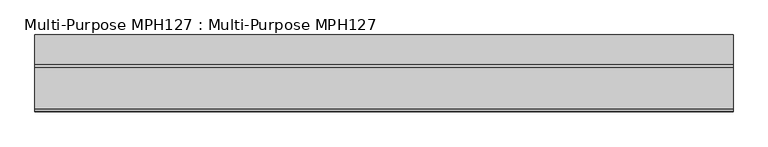
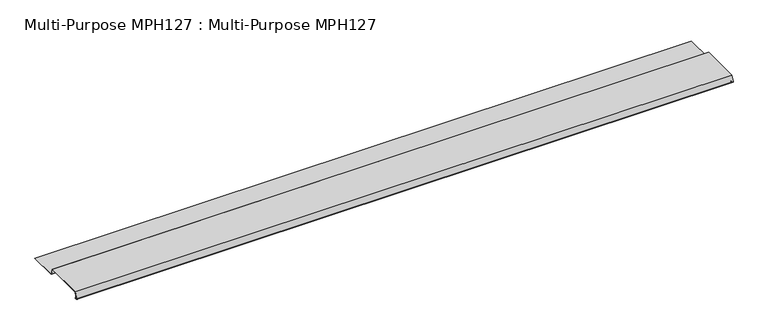
"""IFC4 building model written with IfcOpenShell, lengths in millimetres: proxy geometry, Multi-Purpose MPH127 : Multi-Purpose MPH127."""

from ifc_helpers import new_model, si_unit, point, frame, frame_2d, origin, place, context, project, spatial, polyline, circle_curve, trimmed, segment, composite_curve, outline, extrude, source, transform, mapped, element, save


def multi_purpose_mph127_multi_purpose_mph127_10bb9d99(model_context):
    return source(origin(), model_context, "Body", "SweptSolid", [
        extrude(outline(composite_curve([segment(polyline([(-245.7152167, 103.6038379), (-246.2495313, 102.9913416), (-247.1306358, 103.759978)]), True, "CONTINUOUS"), segment(trimmed(circle_curve(frame_2d((-248.4288533, 102.2718034)), 1.97485), [point((-247.1306358, 103.759978))], [point((-249.5186085, 103.91876))], True, "CARTESIAN"), True, "CONTINUOUS"), segment(polyline([(-249.5186085, 103.91876), (-252.3218398, 102.0639232)]), True, "CONTINUOUS"), segment(trimmed(circle_curve(frame_2d((-253.6358533, 104.0498034)), 2.38125), [point((-252.3218398, 102.0639232))], [point((-255.8734963, 104.8642388))], False, "CARTESIAN"), True, "CONTINUOUS"), segment(polyline([(-255.8734963, 104.8642388), (-245.7764108, 132.6057534), (-61.6264108, 132.6057534), (-50.3661909, 101.6685534), (79.2628967, 101.6685534), (79.2628967, 100.8557534), (-50.9353196, 100.8557534), (-62.1955395, 131.7929534), (-245.2072821, 131.7929534), (-255.1097142, 104.5862449)]), True, "CONTINUOUS"), segment(trimmed(circle_curve(frame_2d((-253.6358533, 104.0498034)), 1.56845), [point((-255.1097142, 104.5862449))], [point((-252.7703564, 102.7417703))], True, "CARTESIAN"), True, "CONTINUOUS"), segment(polyline([(-252.7703564, 102.7417703), (-249.9671251, 104.5966071)]), True, "CONTINUOUS"), segment(trimmed(circle_curve(frame_2d((-248.4288533, 102.2718034)), 2.78765), [point((-249.9671251, 104.5966071))], [point((-246.5963212, 104.3724744))], False, "CARTESIAN"), True, "CONTINUOUS"), segment(polyline([(-246.5963212, 104.3724744), (-245.7152167, 103.6038379)]), True, "CONTINUOUS")], self_intersect=False)), frame((-1102.2989423, 0.0, 0.0), z_axis=(1.0, 0.0, 0.0), x_axis=(0.0, 1.0, 0.0)), (0.0, 0.0, 1.0), 3048.0),
    ])


if __name__ == "__main__":
    model = new_model("IFC4")
    model_context = context("Model", 3, world=origin())
    ifc_project = project(units=[si_unit("LENGTHUNIT", "METRE", prefix="MILLI")], contexts=[model_context])
    site = spatial("IfcSite", under=ifc_project)
    building = spatial("IfcBuilding", under=site)
    placement = place(None, origin())
    multi_purpose_mph127_multi_purpose_mph127_shape = multi_purpose_mph127_multi_purpose_mph127_10bb9d99(model_context)
    element("IfcBuildingElementProxy", 1, Name="Multi-Purpose MPH127 : Multi-Purpose MPH127", ObjectType="Multi-Purpose MPH127 : Multi-Purpose MPH127", at=placement, inside=building, context=model_context, shape_type="MappedRepresentation", body=[
        mapped(multi_purpose_mph127_multi_purpose_mph127_shape, transform((0.0, 0.0, 0.0), x_axis=(1.0, 0.0, 0.0), y_axis=(0.0, 1.0, 0.0), z_axis=(0.0, 0.0, 1.0))),
    ])
    save(model, "model.ifc")
